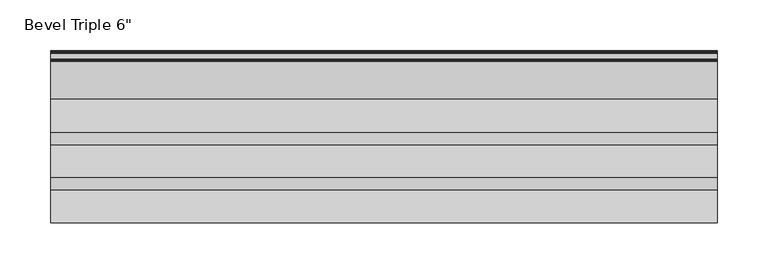
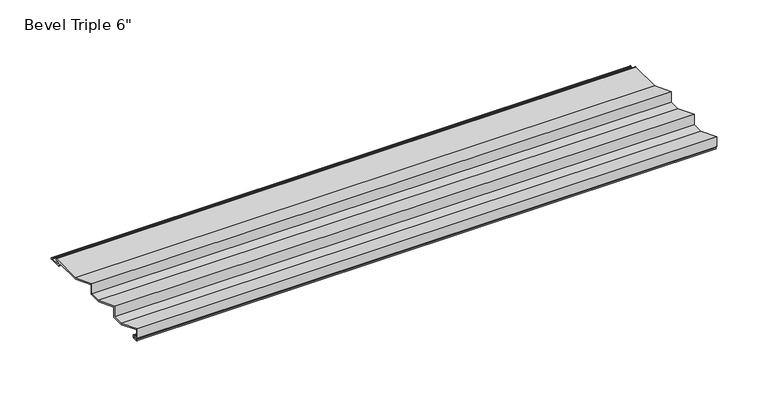
"""IFC4 building model written with IfcOpenShell, lengths in millimetres: proxy geometry."""

import ifcopenshell
import ifcopenshell.guid

model = None  # the IFC model being written
_history = None  # IfcOwnerHistory: only IFC2X3 demands one
_inside = {}  # id of a spatial element -> (the spatial element, [elements in it])
_under = {}  # id of a project, library or spatial element -> (it, [spatial elements below it])
_declared = {}  # id of a project -> (the project, [libraries it declares])
_typed = {}  # id of a type object -> (the type object, [elements of that type])
_made_of = {}  # id of a material, layer set ... -> (it, [elements and type objects made of it])


def new_model(schema):
    """Start an empty IFC model of exactly this schema.

    Asked for "IFC4X3", IfcOpenShell would pick the latest addendum, in which some entities
    have other attributes; the version numbers below select the first issue.
    IFC2X3 requires an IfcOwnerHistory on every rooted entity: one is made here for all.
    """
    global model, _history
    if schema == "IFC4X3":
        model = ifcopenshell.file(schema_version=(4, 3, 0, 0))
    else:
        model = ifcopenshell.file(schema=schema)
    _inside.clear()
    _under.clear()
    _declared.clear()
    _typed.clear()
    _made_of.clear()
    _history = None
    if model.schema == "IFC2X3":
        org = make("IfcOrganization", Name="unknown")
        user = make(
            "IfcPersonAndOrganization",
            ThePerson=make("IfcPerson", FamilyName="unknown"),
            TheOrganization=org,
        )
        app = make(
            "IfcApplication",
            ApplicationDeveloper=org,
            Version="unknown",
            ApplicationFullName="unknown",
            ApplicationIdentifier="unknown",
        )
        _history = make(
            "IfcOwnerHistory",
            OwningUser=user,
            OwningApplication=app,
            ChangeAction="ADDED",
            CreationDate=0,
        )
    return model


def make(cls, **values):
    """One entity of the class cls with the attributes given. An attribute that is None is left unset."""
    return model.create_entity(
        cls, **{name: value for name, value in values.items() if value is not None}
    )


def rooted(cls, **values):
    """An entity with a GlobalId (a new one), such as an element, a storey or a relation."""
    return make(cls, GlobalId=ifcopenshell.guid.new(), OwnerHistory=_history, **values)


def si_unit(unit_type, name, prefix=None):
    """IfcSIUnit, for example si_unit("LENGTHUNIT", "METRE", prefix="MILLI")."""
    return make("IfcSIUnit", UnitType=unit_type, Prefix=prefix, Name=name)


def assignment(units):
    """IfcUnitAssignment: the units of a project."""
    return None if units is None else make("IfcUnitAssignment", Units=units)


def point(xyz):
    """IfcCartesianPoint."""
    return None if xyz is None else make("IfcCartesianPoint", Coordinates=xyz)


def direction(xyz):
    """IfcDirection."""
    return None if xyz is None else make("IfcDirection", DirectionRatios=xyz)


def frame(location, z_axis=None, x_axis=None):
    """IfcAxis2Placement3D, a coordinate frame: its origin and axes. An axis left out is left unset."""
    return make(
        "IfcAxis2Placement3D",
        Location=point(location),
        Axis=direction(z_axis),
        RefDirection=direction(x_axis),
    )


def frame_2d(location, x_axis=None):
    """IfcAxis2Placement2D, a coordinate frame in the plane: its origin and x axis."""
    return make(
        "IfcAxis2Placement2D", Location=point(location), RefDirection=direction(x_axis)
    )


def origin():
    """The frame at (0, 0, 0) with its axes left unset."""
    return frame((0.0, 0.0, 0.0))


def place(relative_to, where):
    """IfcLocalPlacement: puts the frame where relative to a parent placement (None: the world)."""
    return make(
        "IfcLocalPlacement", PlacementRelTo=relative_to, RelativePlacement=where
    )


def context(
    kind, dimensions, precision=None, world=None, true_north=None, identifier=None
):
    """IfcGeometricRepresentationContext, for example the 3D "Model" context."""
    return make(
        "IfcGeometricRepresentationContext",
        ContextIdentifier=identifier,
        ContextType=kind,
        CoordinateSpaceDimension=dimensions,
        Precision=precision,
        WorldCoordinateSystem=world,
        TrueNorth=true_north,
    )


def project(units=None, contexts=None):
    """IfcProject with its units and contexts."""
    return rooted(
        "IfcProject",
        Name="project",
        RepresentationContexts=contexts,
        UnitsInContext=assignment(units),
    )


def spatial(cls, under=None, at=None, **own):
    """A site, building, storey or space (cls), placed at a placement, below another one or the project."""
    s = rooted(cls, ObjectPlacement=at, **own)
    if under is not None:
        _under.setdefault(under.id(), (under, []))[1].append(s)
    return s


def polyline(points):
    """IfcPolyline through the points."""
    return make("IfcPolyline", Points=[point(p) for p in points])


def circle_curve(where, radius):
    """IfcCircle in the frame where."""
    return make("IfcCircle", Position=where, Radius=radius)


def trimmed(basis, trim1, trim2, sense, master):
    """IfcTrimmedCurve: the piece of a basis curve between two trims."""
    return make(
        "IfcTrimmedCurve",
        BasisCurve=basis,
        Trim1=trim1,
        Trim2=trim2,
        SenseAgreement=sense,
        MasterRepresentation=master,
    )


def segment(curve, same_sense, transition):
    """IfcCompositeCurveSegment."""
    return make(
        "IfcCompositeCurveSegment",
        Transition=transition,
        SameSense=same_sense,
        ParentCurve=curve,
    )


def composite_curve(segments, self_intersect=None):
    """IfcCompositeCurve: segments joined end to end."""
    return make("IfcCompositeCurve", Segments=segments, SelfIntersect=self_intersect)


def outline(outer, holes=None, kind="AREA"):
    """IfcArbitraryClosedProfileDef: a profile drawn as a closed curve; with holes, ...WithVoids."""
    if holes is None:
        return make("IfcArbitraryClosedProfileDef", ProfileType=kind, OuterCurve=outer)
    return make(
        "IfcArbitraryProfileDefWithVoids",
        ProfileType=kind,
        OuterCurve=outer,
        InnerCurves=holes,
    )


def extrude(swept, where, along, depth):
    """IfcExtrudedAreaSolid: the profile swept, set in the frame where, extruded along a direction by depth."""
    return make(
        "IfcExtrudedAreaSolid",
        SweptArea=swept,
        Position=where,
        ExtrudedDirection=direction(along),
        Depth=depth,
    )


def shape(context_of_items, identifier, shape_type, items):
    """IfcShapeRepresentation: the items that make up one representation, for example the "Body"."""
    return make(
        "IfcShapeRepresentation",
        ContextOfItems=context_of_items,
        RepresentationIdentifier=identifier,
        RepresentationType=shape_type,
        Items=items,
    )


def source(mapping_origin, context_of_items, identifier, shape_type, items):
    """IfcRepresentationMap: a shape defined once, which mapped items show again and again."""
    return make(
        "IfcRepresentationMap",
        MappingOrigin=mapping_origin,
        MappedRepresentation=shape(context_of_items, identifier, shape_type, items),
    )


def transform(
    local_origin,
    x_axis=None,
    y_axis=None,
    z_axis=None,
    scale=None,
    scale2=None,
    scale3=None,
    uniform=True,
):
    """IfcCartesianTransformationOperator3D, or its non-uniform kind. x_axis, y_axis, z_axis: its Axis1, 2, 3."""
    if uniform:
        return make(
            "IfcCartesianTransformationOperator3D",
            Axis1=direction(x_axis),
            Axis2=direction(y_axis),
            LocalOrigin=point(local_origin),
            Scale=scale,
            Axis3=direction(z_axis),
        )
    return make(
        "IfcCartesianTransformationOperator3DnonUniform",
        Axis1=direction(x_axis),
        Axis2=direction(y_axis),
        LocalOrigin=point(local_origin),
        Scale=scale,
        Axis3=direction(z_axis),
        Scale2=scale2,
        Scale3=scale3,
    )


def mapped(mapping_source, mapping_target):
    """IfcMappedItem: shows the shape of a source again, moved by a transform."""
    return make(
        "IfcMappedItem", MappingSource=mapping_source, MappingTarget=mapping_target
    )


def made_of(thing, what):
    """Note that an element or type object is made of a material, layer set ...; save() writes the relation."""
    if what is not None:
        _made_of.setdefault(what.id(), (what, []))[1].append(thing)
    return thing


def element(
    cls,
    number,
    at=None,
    inside=None,
    cuts=None,
    type_object=None,
    material=None,
    context=None,
    identifier="Body",
    shape_type=None,
    held_by="IfcProductDefinitionShape",
    body=None,
    shapes=None,
    **own,
):
    """One element of the class cls, such as IfcWall. Its Tag is "e" and its number.

    at: its placement. inside: the storey or other place that contains it. cuts: it is an
    opening in that element (IfcRelVoidsElement). A single representation is given by context,
    identifier, shape_type and body (its items); several are given by shapes. held_by: the class
    of the entity that holds the representations. save() writes the other relations.
    """
    e = rooted(cls, Tag="e%d" % number, ObjectPlacement=at, **own)
    if body is not None:
        shapes = [shape(context, identifier, shape_type, body)]
    if shapes is not None:
        e.Representation = make(held_by, Representations=shapes)
    if inside is not None:
        _inside.setdefault(inside.id(), (inside, []))[1].append(e)
    if cuts is not None:
        rooted(
            "IfcRelVoidsElement", RelatingBuildingElement=cuts, RelatedOpeningElement=e
        )
    if type_object is not None:
        _typed.setdefault(type_object.id(), (type_object, []))[1].append(e)
    return made_of(e, material)


def aggregate(whole, parts):
    """IfcRelAggregates: a whole, such as a stair, and the parts it consists of."""
    return rooted("IfcRelAggregates", RelatingObject=whole, RelatedObjects=parts)


def save(model, path):
    """Write the relations noted so far, then the file.

    IfcRelAggregates (storeys below a building ...), IfcRelContainedInSpatialStructure (elements
    in a storey), IfcRelDefinesByType, IfcRelAssociatesMaterial and IfcRelDeclares: one each for
    every whole, place, type object, material and project.
    """
    for whole, parts in _under.values():
        aggregate(whole, parts)
    for where, things in _inside.values():
        rooted(
            "IfcRelContainedInSpatialStructure",
            RelatedElements=things,
            RelatingStructure=where,
        )
    for kind, things in _typed.values():
        rooted("IfcRelDefinesByType", RelatedObjects=things, RelatingType=kind)
    for what, things in _made_of.values():
        rooted("IfcRelAssociatesMaterial", RelatedObjects=things, RelatingMaterial=what)
    for by, libraries in _declared.values():
        rooted("IfcRelDeclares", RelatingContext=by, RelatedDefinitions=libraries)
    model.write(path)


def proxy_db8e67a7(model_context):
    return source(origin(), model_context, "Body", "SweptSolid", [
        extrude(outline(composite_curve([segment(polyline([(46.07, 6.7066462), (31.4471381, 6.7066462), (1.6200129, 18.3556652), (1.6200129, 11.1630642)]), True, "CONTINUOUS"), segment(trimmed(circle_curve(frame_2d((2.1200129, 11.1630642)), 0.5), [point((1.6200129, 11.1630642))], [point((2.1964288, 10.6689381))], True, "CARTESIAN"), True, "CONTINUOUS"), segment(trimmed(circle_curve(frame_2d((2.5444203, 8.4187313)), 2.276956), [point((2.1964288, 10.6689381))], [point((4.157149, 10.0261002))], False, "CARTESIAN"), True, "CONTINUOUS"), segment(trimmed(circle_curve(frame_2d((5.2143342, 10.9003627)), 1.3718511), [point((4.157149, 10.0261002))], [point((5.2143342, 9.5285116))], True, "CARTESIAN"), True, "CONTINUOUS"), segment(polyline([(5.2143342, 9.5285116), (6.1143342, 9.5285116)]), True, "CONTINUOUS"), segment(trimmed(circle_curve(frame_2d((6.1143342, 7.2990307)), 2.2294809), [point((6.1143342, 9.5285116))], [point((6.1143342, 5.0695499))], False, "CARTESIAN"), True, "CONTINUOUS"), segment(polyline([(6.1143342, 5.0695499), (2.2799682, 5.0695499)]), True, "CONTINUOUS"), segment(trimmed(circle_curve(frame_2d((2.2799682, 5.7406692)), 0.6711194), [point((2.2799682, 5.0695499))], [point((2.2799682, 6.4117885))], False, "CARTESIAN"), True, "CONTINUOUS"), segment(polyline([(2.2799682, 6.4117885), (6.1143342, 6.4117886)]), True, "CONTINUOUS"), segment(trimmed(circle_curve(frame_2d((6.1143342, 7.2990307)), 0.8872422), [point((6.1143342, 6.4117886))], [point((6.1143342, 8.1862729))], True, "CARTESIAN"), True, "CONTINUOUS"), segment(polyline([(6.1143342, 8.1862729), (5.042458, 8.186273)]), True, "CONTINUOUS"), segment(trimmed(circle_curve(frame_2d((5.042458, 10.580668)), 2.394395), [point((5.042458, 8.186273))], [point((3.5461213, 8.7114157))], False, "CARTESIAN"), True, "CONTINUOUS"), segment(trimmed(circle_curve(frame_2d((2.6087218, 7.5403983)), 1.4999999), [point((3.5461213, 8.7114157))], [point((1.5093122, 8.5608385))], True, "CARTESIAN"), True, "CONTINUOUS"), segment(trimmed(circle_curve(frame_2d((0.8709548, 9.1533434)), 0.8709548), [point((1.5093122, 8.5608385))], [point((0.0, 9.1533434))], False, "CARTESIAN"), True, "CONTINUOUS"), segment(polyline([(0.0, 9.1533434), (0.0, 20.7275297), (31.75, 8.3275297), (44.45, 8.3275297), (44.45, 20.7275297), (76.2, 8.3275297), (88.9, 8.3275297), (88.9, 20.7275297), (121.1501116, 8.1322106), (158.1312491, 8.1322106)]), True, "CONTINUOUS"), segment(trimmed(circle_curve(frame_2d((158.1312491, 7.3217688)), 0.8104417), [point((158.1312491, 8.1322106))], [point((158.1312491, 6.5113271))], False, "CARTESIAN"), True, "CONTINUOUS"), segment(polyline([(158.1312491, 6.5113271), (154.5122537, 6.5113271)]), True, "CONTINUOUS"), segment(trimmed(circle_curve(frame_2d((154.5122537, 5.8113271)), 0.7), [point((154.5122537, 6.5113271))], [point((153.8924696, 5.4859539))], True, "CARTESIAN"), True, "CONTINUOUS"), segment(polyline([(153.8924696, 5.4859539), (154.948395, 3.4745844), (159.727488, 3.4745844), (160.2588473, 2.8682589), (166.0928283, 2.8682589), (166.8501267, 3.5037076), (167.8001267, 3.5037076)]), True, "CONTINUOUS"), segment(trimmed(circle_curve(frame_2d((167.8001267, 2.6787076)), 0.825), [point((167.8001267, 3.5037076))], [point((167.8001267, 1.8537076))], False, "CARTESIAN"), True, "CONTINUOUS"), segment(polyline([(167.8001267, 1.8537076), (153.9686528, 1.8537076), (151.4209652, 6.7066462), (120.3471381, 6.7066462), (90.52, 18.3556703), (90.52, 6.7066462), (75.8971381, 6.7066462), (46.07, 18.3556703), (46.07, 6.7066462)]), True, "CONTINUOUS")], self_intersect=False)), frame((0.0, 0.0, 0.0), z_axis=(1.0, 0.0, 0.0), x_axis=(0.0, 1.0, 0.0)), (0.0, 0.0, 1.0), 653.773),
    ])


if __name__ == "__main__":
    model = new_model("IFC4")
    model_context = context("Model", 3, world=origin())
    ifc_project = project(units=[si_unit("LENGTHUNIT", "METRE", prefix="MILLI")], contexts=[model_context])
    site = spatial("IfcSite", under=ifc_project)
    building = spatial("IfcBuilding", under=site)
    placement = place(None, origin())
    proxy_shape = proxy_db8e67a7(model_context)
    element("IfcBuildingElementProxy", 1, Name="Bevel Triple 6\"", ObjectType="Bevel Triple 6\"", at=placement, inside=building, context=model_context, shape_type="MappedRepresentation", body=[
        mapped(proxy_shape, transform((0.0, 0.0, 0.0), x_axis=(1.0, 0.0, 0.0), y_axis=(0.0, 1.0, 0.0), z_axis=(0.0, 0.0, 1.0))),
    ])
    save(model, "model.ifc")
